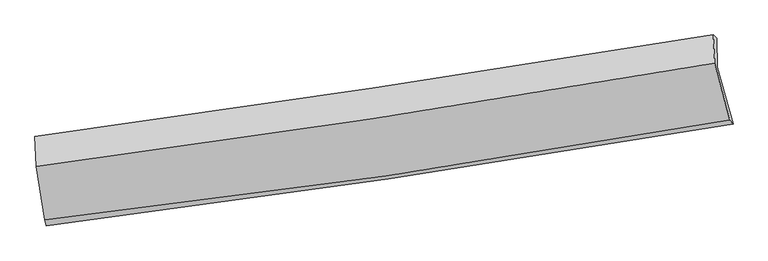
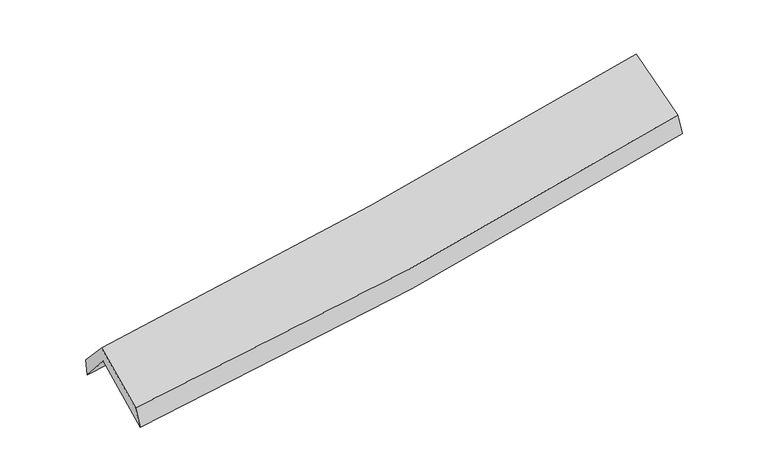
"""IFC4 building model written with IfcOpenShell, lengths in millimetres: proxy geometry."""

import ifcopenshell
import ifcopenshell.guid

model = None  # the IFC model being written
_history = None  # IfcOwnerHistory: only IFC2X3 demands one
_inside = {}  # id of a spatial element -> (the spatial element, [elements in it])
_under = {}  # id of a project, library or spatial element -> (it, [spatial elements below it])
_declared = {}  # id of a project -> (the project, [libraries it declares])
_typed = {}  # id of a type object -> (the type object, [elements of that type])
_made_of = {}  # id of a material, layer set ... -> (it, [elements and type objects made of it])


def new_model(schema):
    """Start an empty IFC model of exactly this schema.

    Asked for "IFC4X3", IfcOpenShell would pick the latest addendum, in which some entities
    have other attributes; the version numbers below select the first issue.
    IFC2X3 requires an IfcOwnerHistory on every rooted entity: one is made here for all.
    """
    global model, _history
    if schema == "IFC4X3":
        model = ifcopenshell.file(schema_version=(4, 3, 0, 0))
    else:
        model = ifcopenshell.file(schema=schema)
    _inside.clear()
    _under.clear()
    _declared.clear()
    _typed.clear()
    _made_of.clear()
    _history = None
    if model.schema == "IFC2X3":
        org = make("IfcOrganization", Name="unknown")
        user = make(
            "IfcPersonAndOrganization",
            ThePerson=make("IfcPerson", FamilyName="unknown"),
            TheOrganization=org,
        )
        app = make(
            "IfcApplication",
            ApplicationDeveloper=org,
            Version="unknown",
            ApplicationFullName="unknown",
            ApplicationIdentifier="unknown",
        )
        _history = make(
            "IfcOwnerHistory",
            OwningUser=user,
            OwningApplication=app,
            ChangeAction="ADDED",
            CreationDate=0,
        )
    return model


def make(cls, **values):
    """One entity of the class cls with the attributes given. An attribute that is None is left unset."""
    return model.create_entity(
        cls, **{name: value for name, value in values.items() if value is not None}
    )


def rooted(cls, **values):
    """An entity with a GlobalId (a new one), such as an element, a storey or a relation."""
    return make(cls, GlobalId=ifcopenshell.guid.new(), OwnerHistory=_history, **values)


def si_unit(unit_type, name, prefix=None):
    """IfcSIUnit, for example si_unit("LENGTHUNIT", "METRE", prefix="MILLI")."""
    return make("IfcSIUnit", UnitType=unit_type, Prefix=prefix, Name=name)


def assignment(units):
    """IfcUnitAssignment: the units of a project."""
    return None if units is None else make("IfcUnitAssignment", Units=units)


def point(xyz):
    """IfcCartesianPoint."""
    return None if xyz is None else make("IfcCartesianPoint", Coordinates=xyz)


def direction(xyz):
    """IfcDirection."""
    return None if xyz is None else make("IfcDirection", DirectionRatios=xyz)


def frame(location, z_axis=None, x_axis=None):
    """IfcAxis2Placement3D, a coordinate frame: its origin and axes. An axis left out is left unset."""
    return make(
        "IfcAxis2Placement3D",
        Location=point(location),
        Axis=direction(z_axis),
        RefDirection=direction(x_axis),
    )


def origin():
    """The frame at (0, 0, 0) with its axes left unset."""
    return frame((0.0, 0.0, 0.0))


def place(relative_to, where):
    """IfcLocalPlacement: puts the frame where relative to a parent placement (None: the world)."""
    return make(
        "IfcLocalPlacement", PlacementRelTo=relative_to, RelativePlacement=where
    )


def context(
    kind, dimensions, precision=None, world=None, true_north=None, identifier=None
):
    """IfcGeometricRepresentationContext, for example the 3D "Model" context."""
    return make(
        "IfcGeometricRepresentationContext",
        ContextIdentifier=identifier,
        ContextType=kind,
        CoordinateSpaceDimension=dimensions,
        Precision=precision,
        WorldCoordinateSystem=world,
        TrueNorth=true_north,
    )


def project(units=None, contexts=None):
    """IfcProject with its units and contexts."""
    return rooted(
        "IfcProject",
        Name="project",
        RepresentationContexts=contexts,
        UnitsInContext=assignment(units),
    )


def spatial(cls, under=None, at=None, **own):
    """A site, building, storey or space (cls), placed at a placement, below another one or the project."""
    s = rooted(cls, ObjectPlacement=at, **own)
    if under is not None:
        _under.setdefault(under.id(), (under, []))[1].append(s)
    return s


def shape(context_of_items, identifier, shape_type, items):
    """IfcShapeRepresentation: the items that make up one representation, for example the "Body"."""
    return make(
        "IfcShapeRepresentation",
        ContextOfItems=context_of_items,
        RepresentationIdentifier=identifier,
        RepresentationType=shape_type,
        Items=items,
    )


def source(mapping_origin, context_of_items, identifier, shape_type, items):
    """IfcRepresentationMap: a shape defined once, which mapped items show again and again."""
    return make(
        "IfcRepresentationMap",
        MappingOrigin=mapping_origin,
        MappedRepresentation=shape(context_of_items, identifier, shape_type, items),
    )


def transform(
    local_origin,
    x_axis=None,
    y_axis=None,
    z_axis=None,
    scale=None,
    scale2=None,
    scale3=None,
    uniform=True,
):
    """IfcCartesianTransformationOperator3D, or its non-uniform kind. x_axis, y_axis, z_axis: its Axis1, 2, 3."""
    if uniform:
        return make(
            "IfcCartesianTransformationOperator3D",
            Axis1=direction(x_axis),
            Axis2=direction(y_axis),
            LocalOrigin=point(local_origin),
            Scale=scale,
            Axis3=direction(z_axis),
        )
    return make(
        "IfcCartesianTransformationOperator3DnonUniform",
        Axis1=direction(x_axis),
        Axis2=direction(y_axis),
        LocalOrigin=point(local_origin),
        Scale=scale,
        Axis3=direction(z_axis),
        Scale2=scale2,
        Scale3=scale3,
    )


def mapped(mapping_source, mapping_target):
    """IfcMappedItem: shows the shape of a source again, moved by a transform."""
    return make(
        "IfcMappedItem", MappingSource=mapping_source, MappingTarget=mapping_target
    )


def made_of(thing, what):
    """Note that an element or type object is made of a material, layer set ...; save() writes the relation."""
    if what is not None:
        _made_of.setdefault(what.id(), (what, []))[1].append(thing)
    return thing


def element(
    cls,
    number,
    at=None,
    inside=None,
    cuts=None,
    type_object=None,
    material=None,
    context=None,
    identifier="Body",
    shape_type=None,
    held_by="IfcProductDefinitionShape",
    body=None,
    shapes=None,
    **own,
):
    """One element of the class cls, such as IfcWall. Its Tag is "e" and its number.

    at: its placement. inside: the storey or other place that contains it. cuts: it is an
    opening in that element (IfcRelVoidsElement). A single representation is given by context,
    identifier, shape_type and body (its items); several are given by shapes. held_by: the class
    of the entity that holds the representations. save() writes the other relations.
    """
    e = rooted(cls, Tag="e%d" % number, ObjectPlacement=at, **own)
    if body is not None:
        shapes = [shape(context, identifier, shape_type, body)]
    if shapes is not None:
        e.Representation = make(held_by, Representations=shapes)
    if inside is not None:
        _inside.setdefault(inside.id(), (inside, []))[1].append(e)
    if cuts is not None:
        rooted(
            "IfcRelVoidsElement", RelatingBuildingElement=cuts, RelatedOpeningElement=e
        )
    if type_object is not None:
        _typed.setdefault(type_object.id(), (type_object, []))[1].append(e)
    return made_of(e, material)


def aggregate(whole, parts):
    """IfcRelAggregates: a whole, such as a stair, and the parts it consists of."""
    return rooted("IfcRelAggregates", RelatingObject=whole, RelatedObjects=parts)


def save(model, path):
    """Write the relations noted so far, then the file.

    IfcRelAggregates (storeys below a building ...), IfcRelContainedInSpatialStructure (elements
    in a storey), IfcRelDefinesByType, IfcRelAssociatesMaterial and IfcRelDeclares: one each for
    every whole, place, type object, material and project.
    """
    for whole, parts in _under.values():
        aggregate(whole, parts)
    for where, things in _inside.values():
        rooted(
            "IfcRelContainedInSpatialStructure",
            RelatedElements=things,
            RelatingStructure=where,
        )
    for kind, things in _typed.values():
        rooted("IfcRelDefinesByType", RelatedObjects=things, RelatingType=kind)
    for what, things in _made_of.values():
        rooted("IfcRelAssociatesMaterial", RelatedObjects=things, RelatingMaterial=what)
    for by, libraries in _declared.values():
        rooted("IfcRelDeclares", RelatingContext=by, RelatedDefinitions=libraries)
    model.write(path)


def plane_surface(at):
    """IfcPlane: the flat surface through the origin of the frame at, square to its z axis."""
    return make("IfcPlane", Position=at)


def spline_curve(degree, points, multiplicities, knots, weights=None):
    """IfcBSplineCurveWithKnots; with weights, IfcRationalBSplineCurveWithKnots."""
    own = dict(
        Degree=degree,
        ControlPointsList=[point(p) for p in points],
        CurveForm="UNSPECIFIED",
        ClosedCurve=False,
        SelfIntersect=False,
        KnotMultiplicities=multiplicities,
        Knots=knots,
        KnotSpec="UNSPECIFIED",
    )
    if weights is None:
        return make("IfcBSplineCurveWithKnots", **own)
    return make("IfcRationalBSplineCurveWithKnots", WeightsData=weights, **own)


def spline_surface(u_degree, v_degree, points, u_multiplicities, v_multiplicities, u_knots, v_knots, weights=None):
    """IfcBSplineSurfaceWithKnots; with weights, IfcRationalBSplineSurfaceWithKnots. points: one row for each step in u."""
    own = dict(
        UDegree=u_degree,
        VDegree=v_degree,
        ControlPointsList=[[point(p) for p in row] for row in points],
        SurfaceForm="UNSPECIFIED",
        UClosed=False,
        VClosed=False,
        SelfIntersect=False,
        UMultiplicities=u_multiplicities,
        VMultiplicities=v_multiplicities,
        UKnots=u_knots,
        VKnots=v_knots,
        KnotSpec="UNSPECIFIED",
    )
    if weights is None:
        return make("IfcBSplineSurfaceWithKnots", **own)
    return make("IfcRationalBSplineSurfaceWithKnots", WeightsData=weights, **own)


def advanced_brep(points, edges, surfaces, faces):
    """IfcAdvancedBrep: a solid bounded by faces that lie on surfaces and meet in shared edges.

    An edge is (start, end): straight between two places in points (the first is 0);
    or (start, end, curve); or (start, end, curve, False) where it runs against its curve.
    A face is (place in surfaces, loops), or (place, loops, False) where it looks against
    its surface's normal. A loop lists edges by number (the first is 1), with a minus sign
    where the edge is run from its end to its start. The first loop is the outer one.
    """
    corners = [point(p) for p in points]
    vertices = [make("IfcVertexPoint", VertexGeometry=c) for c in corners]
    made = []
    for start, end, *more in edges:
        made.append(
            make(
                "IfcEdgeCurve",
                EdgeStart=vertices[start],
                EdgeEnd=vertices[end],
                EdgeGeometry=more[0] if more else make("IfcPolyline", Points=[corners[start], corners[end]]),
                SameSense=more[1] if len(more) > 1 else True,
            )
        )
    hull = []
    for where, loops, *sense in faces:
        bounds = []
        for j, loop in enumerate(loops):
            ring = [make("IfcOrientedEdge", EdgeElement=made[abs(k) - 1], Orientation=k > 0) for k in loop]
            bounds.append(
                make(
                    "IfcFaceOuterBound" if j == 0 else "IfcFaceBound",
                    Bound=make("IfcEdgeLoop", EdgeList=ring),
                    Orientation=True,
                )
            )
        hull.append(make("IfcAdvancedFace", Bounds=bounds, FaceSurface=surfaces[where], SameSense=sense[0] if sense else True))
    return make("IfcAdvancedBrep", Outer=make("IfcClosedShell", CfsFaces=hull))


def generic_models_9dcebcfa(model_context):
    return source(origin(), model_context, "Body", "AdvancedBrep", [
        advanced_brep(
        [(-2949.1003767, -2530.9694297, 1454.2768568), (-3029.4075685, -2018.7676452, 1893.3404606), (2975.9698016, -1128.2350384, 2402.7071122), (3114.4093559, -1633.8224805, 1967.2849823), (-3040.0212269, -1755.0346332, 1583.7341272), (2968.4062414, -873.2655736, 2079.8858351), (-3050.4461959, -1743.3873249, 1743.5793444), (2939.5531474, -842.9704155, 2285.0973971), (-3038.6155289, -2004.8749462, 2027.7646959), (2952.165019, -1093.3686432, 2556.9631102), (-2965.4366815, -2478.3861471, 1640.377692), (3086.4054038, -1597.386835, 2155.7361992)],
        [
            (0, 1),
            (1, 2, spline_curve(3, [(-3029.4075685, -2018.7676452, 1893.3404606), (-2030.989354419, -1877.263542931, 1936.502076565), (-1034.835102119, -1732.842924596, 2000.087002057), (967.021937798, -1436.081920312, 2169.293278798), (1972.660142, -1283.658336754, 2275.497237548), (2975.9698016, -1128.2350384, 2402.7071122)], [4, 2, 4], [0.0, 9.9741353804255, 20.089534348878175])),
            (2, 3),
            (3, 0, spline_curve(3, [(3114.4093559, -1633.8224805, 1967.2849823), (2102.701956814, -1806.54493928, 1841.165267797), (1087.98167627, -1968.116255843, 1735.194817904), (-933.271797677, -2266.855958054, 1564.750956873), (-1939.721428323, -2404.33362409, 1499.718698421), (-2949.1003767, -2530.9694297, 1454.2768568)], [4, 2, 4], [0.0, 10.115398968452675, 20.089534348878175])),
            (1, 4),
            (4, 5, spline_curve(3, [(-3040.0212269, -1755.0346332, 1583.7341272), (-2040.898866509, -1616.77584547, 1622.561902433), (-1044.139452813, -1474.709355388, 1682.878858137), (958.737110072, -1180.894956164, 1847.649747804), (1964.786852218, -1029.038426389, 1952.71669514), (2968.4062414, -873.2655736, 2079.8858351)], [4, 2, 4], [0.0, 9.926965992360962, 19.994527513138028])),
            (5, 2),
            (4, 6),
            (6, 7, spline_curve(3, [(-3050.4461959, -1743.3873249, 1743.5793444), (-2054.220030851, -1606.619899009, 1805.218855029), (-1060.433053631, -1463.772123718, 1880.74942885), (936.302975899, -1163.806605206, 2060.859182186), (1939.182446263, -1006.515410991, 2165.834625768), (2939.5531474, -842.9704155, 2285.0973971)], [4, 2, 4], [0.0, 9.917333014584342, 19.975125125808777])),
            (7, 5),
            (6, 8),
            (8, 9, spline_curve(3, [(-3038.6155289, -2004.8749462, 2027.7646959), (-2041.923926986, -1874.549161637, 2096.905229829), (-1047.838406617, -1734.033688887, 2175.200438508), (949.162785429, -1430.488931098, 2351.338758599), (1952.004114352, -1267.168969748, 2449.443020912), (2952.165019, -1093.3686432, 2556.9631102)], [4, 2, 4], [0.0, 9.90825769359182, 19.956845950135648])),
            (9, 7),
            (8, 10),
            (10, 11, spline_curve(3, [(-2965.4366815, -2478.3861471, 1640.377692), (-1956.89531998, -2365.848829405, 1692.610216132), (-951.826105753, -2236.796753872, 1761.254811119), (1065.553637633, -1943.601425803, 1932.572800265), (2077.765118544, -1778.987063909, 2035.714374271), (3086.4054038, -1597.386835, 2155.7361992)], [4, 2, 4], [0.0, 9.954555409789485, 20.050097096661386])),
            (11, 9),
            (10, 0),
            (3, 11),
        ],
        [
            spline_surface(3, 3, [[(-2949.1003767, -2530.9694297, 1454.2768568), (-1939.721428318, -2404.33362414, 1499.718698347), (-933.271797826, -2266.855957923, 1564.750956849), (1087.981676421, -1968.116255975, 1735.194817929), (2102.70195683, -1806.544939126, 1841.165267888), (3114.4093559, -1633.8224805, 1967.2849823)], [(-2975.869440632, -2360.23550154, 1600.631391404), (-1970.144070323, -2228.643597088, 1645.313157795), (-967.12623258, -2088.851613449, 1709.862971895), (1047.66176351, -1790.771477464, 1879.894304904), (2059.354685286, -1632.249404969, 1985.942591048), (3068.262837822, -1465.293333136, 2112.425692252)], [(-3002.638504568, -2189.50157336, 1746.985925996), (-2000.566712333, -2052.953570016, 1790.907617231), (-1000.980667295, -1910.847268959, 1854.974986948), (1007.341850638, -1613.426698937, 2024.593791886), (2016.007413676, -1457.953870803, 2130.719914252), (3022.116319678, -1296.764185764, 2257.566402248)], [(-3029.4075685, -2018.7676452, 1893.3404606), (-2030.989354337, -1877.263542964, 1936.502076679), (-1034.835102049, -1732.842924485, 2000.087001995), (967.021937727, -1436.081920425, 2169.293278861), (1972.660142132, -1283.658336646, 2275.497237412), (2975.9698016, -1128.2350384, 2402.7071122)]], [4, 4], [4, 2, 4], [0.0, 2.2859691944900318], [0.0, 9.9741353804255, 20.089534348878175]),
            spline_surface(3, 3, [[(-3029.4075685, -2018.7676452, 1893.3404606), (-2030.989354337, -1877.263542964, 1936.502076679), (-1034.835102049, -1732.842924485, 2000.087001995), (967.021937727, -1436.081920425, 2169.293278861), (1972.660142132, -1283.658336646, 2275.497237412), (2975.9698016, -1128.2350384, 2402.7071122)], [(-3032.945454655, -1930.856641191, 1790.138349477), (-2034.292525119, -1790.434310429, 1831.855351995), (-1037.936552301, -1646.798401457, 1894.350953983), (964.260328511, -1351.01959903, 2062.078768559), (1970.035712192, -1198.785033216, 2167.903723358), (2973.448614864, -1043.245216809, 2295.100019841)], [(-3036.483340745, -1842.945637209, 1686.936238323), (-2037.595695836, -1703.60507792, 1727.20862728), (-1041.03800256, -1560.753878385, 1788.614905987), (961.498719287, -1265.95727759, 1954.864258271), (1967.411282261, -1113.911729758, 2060.31020928), (2970.927428136, -958.255395191, 2187.492927459)], [(-3040.0212269, -1755.0346332, 1583.7341272), (-2040.898866619, -1616.775845385, 1622.561902596), (-1044.139452812, -1474.709355358, 1682.878857975), (958.737110071, -1180.894956195, 1847.649747969), (1964.786852321, -1029.038426328, 1952.716695227), (2968.4062414, -873.2655736, 2079.8858351)]], [4, 4], [4, 2, 4], [0.0, 1.3447195162520658], [0.0, 9.926965992360962, 19.994527513138028]),
            spline_surface(3, 3, [[(-3040.0212269, -1755.0346332, 1583.7341272), (-2040.898866619, -1616.775845385, 1622.561902596), (-1044.139452812, -1474.709355358, 1682.878857975), (958.737110071, -1180.894956195, 1847.649747969), (1964.786852321, -1029.038426328, 1952.716695227), (2968.4062414, -873.2655736, 2079.8858351)], [(-3043.496216561, -1751.152197086, 1637.015866265), (-2045.339254731, -1613.390529953, 1683.447553358), (-1049.570653073, -1471.063611413, 1748.835714989), (951.259065322, -1175.198839224, 1918.719559361), (1956.252050266, -1021.530754563, 2023.75600534), (2958.788543376, -863.167187564, 2148.289689086)], [(-3046.971206239, -1747.269761014, 1690.297605335), (-2049.779642861, -1610.005214562, 1744.333204125), (-1055.001853314, -1467.417867528, 1814.79257194), (943.781020592, -1169.502722314, 1989.789370689), (1947.717248283, -1014.023082806, 2094.795315496), (2949.170845424, -853.068801536, 2216.693543114)], [(-3050.4461959, -1743.3873249, 1743.5793444), (-2054.220030973, -1606.61989913, 1805.218854887), (-1060.433053575, -1463.772123583, 1880.749428954), (936.302975842, -1163.806605343, 2060.859182081), (1939.182446227, -1006.515411041, 2165.83462561), (2939.5531474, -842.9704155, 2285.0973971)]], [4, 4], [4, 2, 4], [0.0, 0.6792589657418173], [0.0, 9.917333014584342, 19.975125125808777]),
            spline_surface(3, 3, [[(-3050.4461959, -1743.3873249, 1743.5793444), (-2054.220030973, -1606.61989913, 1805.218854887), (-1060.433053575, -1463.772123583, 1880.749428954), (936.302975842, -1163.806605343, 2060.859182081), (1939.182446227, -1006.515411041, 2165.83462561), (2939.5531474, -842.9704155, 2285.0973971)], [(-3046.502640243, -1830.549865355, 1838.307794884), (-2050.121329634, -1695.929653268, 1902.447646477), (-1056.234837902, -1553.859311972, 1978.899765494), (940.589579004, -1252.700713991, 2157.685707565), (1943.456335571, -1093.399930586, 2260.370757445), (2943.757104607, -926.436491399, 2375.719301488)], [(-3042.559084557, -1917.712405745, 1933.036245416), (-2046.022628266, -1785.239407341, 1999.676438117), (-1052.03662221, -1643.946500336, 2077.050102034), (944.876182184, -1341.594822615, 2254.512233048), (1947.730224894, -1180.284450135, 2354.906889217), (2947.961061793, -1009.902567301, 2466.341205812)], [(-3038.6155289, -2004.8749462, 2027.7646959), (-2041.923926927, -1874.549161479, 2096.905229707), (-1047.838406536, -1734.033688725, 2175.200438574), (949.162785346, -1430.488931263, 2351.338758532), (1952.004114238, -1267.16896968, 2449.443021052), (2952.165019, -1093.3686432, 2556.9631102)]], [4, 4], [4, 2, 4], [0.0, 1.3030534840485402], [0.0, 9.90825769359182, 19.956845950135648]),
            spline_surface(3, 3, [[(-3038.6155289, -2004.8749462, 2027.7646959), (-2041.923926927, -1874.549161479, 2096.905229707), (-1047.838406536, -1734.033688725, 2175.200438574), (949.162785346, -1430.488931263, 2351.338758532), (1952.004114238, -1267.16896968, 2449.443021052), (2952.165019, -1093.3686432, 2556.9631102)], [(-3014.222579742, -2162.712013174, 1898.635694598), (-2013.581057923, -2038.315717411, 1962.140225172), (-1015.834306293, -1901.621377087, 2037.218562766), (987.959736143, -1601.526429459, 2211.750105721), (1993.924449054, -1437.775001096, 2311.533472054), (2996.911813932, -1261.374707122, 2423.220806516)], [(-2989.829630658, -2320.549080126, 1769.506693302), (-1985.238188994, -2202.082273322, 1827.375220643), (-983.830206075, -2069.209065456, 1899.236687025), (1026.756686916, -1772.563927662, 2072.161452977), (2035.844783875, -1608.381032544, 2173.623923108), (3041.658608868, -1429.380771078, 2289.478502884)], [(-2965.4366815, -2478.3861471, 1640.377692), (-1956.895319989, -2365.848829254, 1692.610216108), (-951.826105832, -2236.796753818, 1761.254811217), (1065.553637713, -1943.601425858, 1932.572800166), (2077.765118691, -1778.98706396, 2035.71437411), (3086.4054038, -1597.386835, 2155.7361992)]], [4, 4], [4, 2, 4], [0.0, 2.183083841904622], [0.0, 9.954555409789485, 20.050097096661386]),
            spline_surface(3, 3, [[(-2965.4366815, -2478.3861471, 1640.377692), (-1956.895319989, -2365.848829254, 1692.610216108), (-951.826105832, -2236.796753818, 1761.254811217), (1065.553637713, -1943.601425858, 1932.572800166), (2077.765118691, -1778.98706396, 2035.71437411), (3086.4054038, -1597.386835, 2155.7361992)], [(-2959.991246568, -2495.913907954, 1578.344080272), (-1951.170689434, -2378.677094203, 1628.313043526), (-945.641336482, -2246.816488514, 1695.753526436), (1073.02965063, -1951.773035891, 1866.780139428), (2086.07739807, -1788.173022351, 1970.864672053), (3095.740054499, -1609.53205017, 2092.919126917)], [(-2954.545811632, -2513.441668846, 1516.310468528), (-1945.446058874, -2391.505359191, 1564.015870929), (-939.456567176, -2256.836223228, 1630.25224163), (1080.505663504, -1959.944645942, 1800.987478666), (2094.389677451, -1797.358980734, 1906.014969944), (3105.074705201, -1621.67726533, 2030.102054583)], [(-2949.1003767, -2530.9694297, 1454.2768568), (-1939.721428318, -2404.33362414, 1499.718698347), (-933.271797826, -2266.855957923, 1564.750956849), (1087.981676421, -1968.116255975, 1735.194817929), (2102.70195683, -1806.544939126, 1841.165267888), (3114.4093559, -1633.8224805, 1967.2849823)]], [4, 4], [4, 2, 4], [0.0, 0.6557697963896744], [0.0, 10.011101493618442, 20.163990125986594]),
            plane_surface(frame((3006.1514948, -1194.8414977, 2241.279106), z_axis=(0.9787992408151913, 0.17126728201832117, 0.11233683407352106), x_axis=(0.20399534537181935, -0.7659197733966837, -0.6097153432435539))),
            plane_surface(frame((-3012.1712631, -2088.5700211, 1723.8455295), z_axis=(-0.992646578625175, -0.10681158198484421, -0.056956614169290085), x_axis=(-0.08417488877462899, 0.2709420530791485, 0.958908229171611))),
        ],
        [
            (0, [[1, 2, 3, 4]]),
            (1, [[5, 6, 7, -2]]),
            (2, [[8, 9, 10, -6]]),
            (3, [[11, 12, 13, -9]]),
            (4, [[14, 15, 16, -12]]),
            (5, [[17, -4, 18, -15]]),
            (6, [[-16, -18, -3, -7, -10, -13]]),
            (7, [[-17, -14, -11, -8, -5, -1]]),
        ],
    ),
    ])


if __name__ == "__main__":
    model = new_model("IFC4")
    model_context = context("Model", 3, world=origin())
    ifc_project = project(units=[si_unit("LENGTHUNIT", "METRE", prefix="MILLI")], contexts=[model_context])
    site = spatial("IfcSite", under=ifc_project)
    building = spatial("IfcBuilding", under=site)
    placement = place(None, origin())
    generic_models_shape = generic_models_9dcebcfa(model_context)
    element("IfcBuildingElementProxy", 1, Name="Generic Models", at=placement, inside=building, context=model_context, shape_type="MappedRepresentation", body=[
        mapped(generic_models_shape, transform((0.0, 0.0, 0.0), x_axis=(1.0, 0.0, 0.0), y_axis=(0.0, 1.0, 0.0), z_axis=(0.0, 0.0, 1.0))),
    ])
    save(model, "model.ifc")
